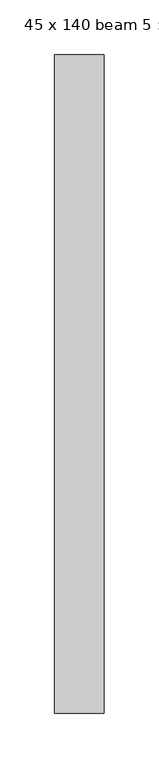
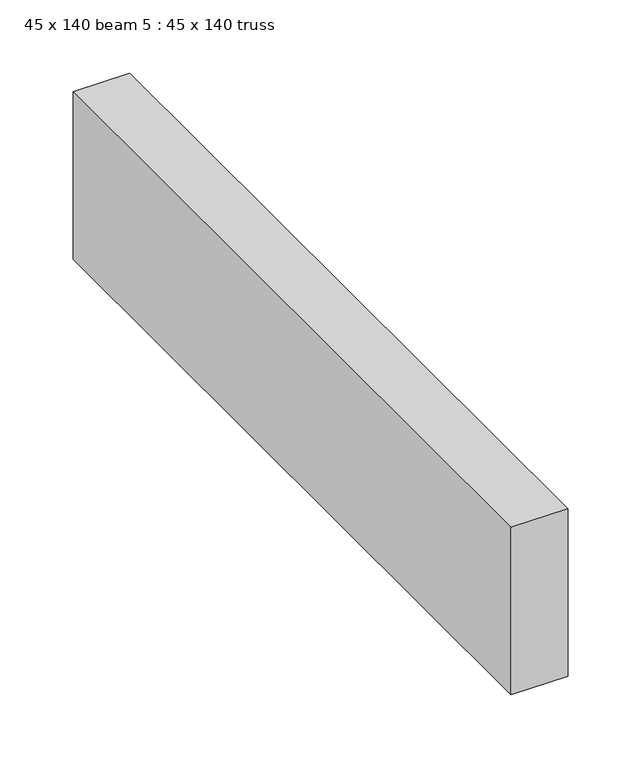
"""IFC4 building model written with IfcOpenShell, lengths in millimetres: proxy geometry, 45 x 140 beam 5 : 45 x 140 truss."""

from ifc_helpers import new_model, si_unit, frame, origin, place, context, project, spatial, polyline, outline, extrude, source, transform, mapped, element, save


def proxy_45_x_140_beam_5_45_x_140_truss_8b2959c5(model_context):
    return source(origin(), model_context, "Body", "SweptSolid", [
        extrude(outline(polyline([(22192.753812, -12363.4415087), (22237.753812, -12363.4415087), (22237.753812, -12963.4415087), (22192.753812, -12963.4415087), (22192.753812, -12363.4415087)])), frame((0.0, 0.0, 3644.2452806), z_axis=(0.0, 0.0, 1.0), x_axis=(1.0, 0.0, 0.0)), (0.0, 0.0, 1.0), 140.0),
    ])


if __name__ == "__main__":
    model = new_model("IFC4")
    model_context = context("Model", 3, world=origin())
    ifc_project = project(units=[si_unit("LENGTHUNIT", "METRE", prefix="MILLI")], contexts=[model_context])
    site = spatial("IfcSite", under=ifc_project)
    building = spatial("IfcBuilding", under=site)
    placement = place(None, origin())
    proxy_45_x_140_beam_5_45_x_140_truss_shape = proxy_45_x_140_beam_5_45_x_140_truss_8b2959c5(model_context)
    element("IfcBuildingElementProxy", 1, Name="45 x 140 beam 5 : 45 x 140 truss", ObjectType="45 x 140 beam 5 : 45 x 140 truss", at=placement, inside=building, context=model_context, shape_type="MappedRepresentation", body=[
        mapped(proxy_45_x_140_beam_5_45_x_140_truss_shape, transform((0.0, 0.0, 0.0), x_axis=(1.0, 0.0, 0.0), y_axis=(0.0, 1.0, 0.0), z_axis=(0.0, 0.0, 1.0))),
    ])
    save(model, "model.ifc")
